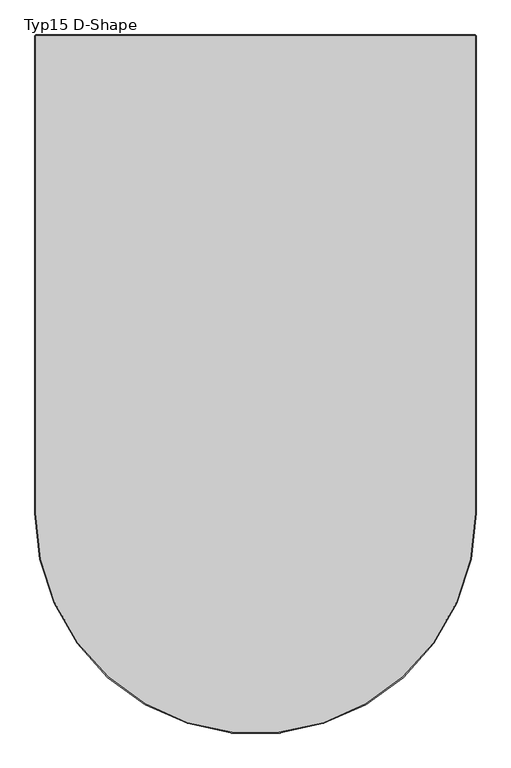
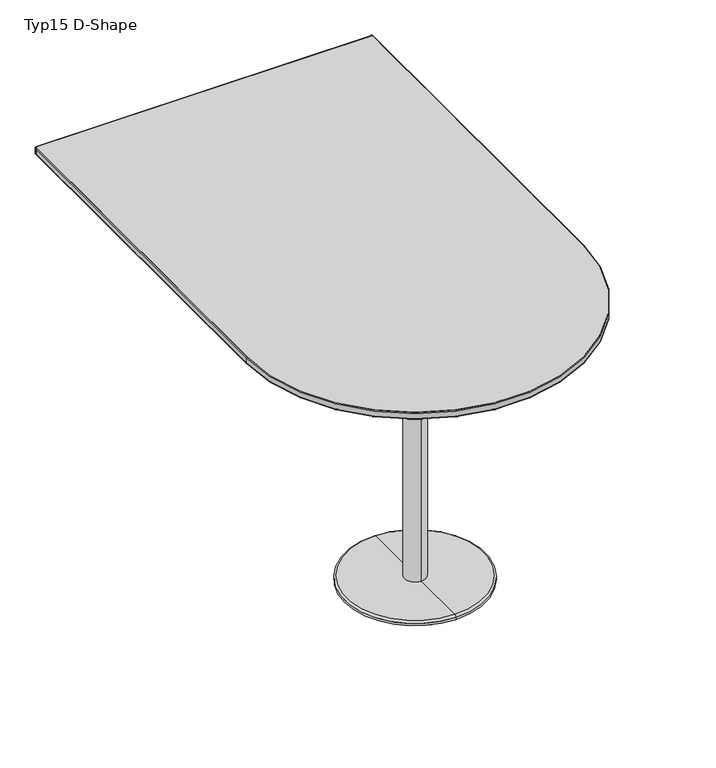
"""IFC4 building model written with IfcOpenShell, lengths in millimetres: furniture geometry, Typ15 D-Shape."""

import ifcopenshell
import ifcopenshell.guid

model = None  # the IFC model being written
_history = None  # IfcOwnerHistory: only IFC2X3 demands one
_inside = {}  # id of a spatial element -> (the spatial element, [elements in it])
_under = {}  # id of a project, library or spatial element -> (it, [spatial elements below it])
_declared = {}  # id of a project -> (the project, [libraries it declares])
_typed = {}  # id of a type object -> (the type object, [elements of that type])
_made_of = {}  # id of a material, layer set ... -> (it, [elements and type objects made of it])


def new_model(schema):
    """Start an empty IFC model of exactly this schema.

    Asked for "IFC4X3", IfcOpenShell would pick the latest addendum, in which some entities
    have other attributes; the version numbers below select the first issue.
    IFC2X3 requires an IfcOwnerHistory on every rooted entity: one is made here for all.
    """
    global model, _history
    if schema == "IFC4X3":
        model = ifcopenshell.file(schema_version=(4, 3, 0, 0))
    else:
        model = ifcopenshell.file(schema=schema)
    _inside.clear()
    _under.clear()
    _declared.clear()
    _typed.clear()
    _made_of.clear()
    _history = None
    if model.schema == "IFC2X3":
        org = make("IfcOrganization", Name="unknown")
        user = make(
            "IfcPersonAndOrganization",
            ThePerson=make("IfcPerson", FamilyName="unknown"),
            TheOrganization=org,
        )
        app = make(
            "IfcApplication",
            ApplicationDeveloper=org,
            Version="unknown",
            ApplicationFullName="unknown",
            ApplicationIdentifier="unknown",
        )
        _history = make(
            "IfcOwnerHistory",
            OwningUser=user,
            OwningApplication=app,
            ChangeAction="ADDED",
            CreationDate=0,
        )
    return model


def make(cls, **values):
    """One entity of the class cls with the attributes given. An attribute that is None is left unset."""
    return model.create_entity(
        cls, **{name: value for name, value in values.items() if value is not None}
    )


def rooted(cls, **values):
    """An entity with a GlobalId (a new one), such as an element, a storey or a relation."""
    return make(cls, GlobalId=ifcopenshell.guid.new(), OwnerHistory=_history, **values)


def si_unit(unit_type, name, prefix=None):
    """IfcSIUnit, for example si_unit("LENGTHUNIT", "METRE", prefix="MILLI")."""
    return make("IfcSIUnit", UnitType=unit_type, Prefix=prefix, Name=name)


def assignment(units):
    """IfcUnitAssignment: the units of a project."""
    return None if units is None else make("IfcUnitAssignment", Units=units)


def point(xyz):
    """IfcCartesianPoint."""
    return None if xyz is None else make("IfcCartesianPoint", Coordinates=xyz)


def direction(xyz):
    """IfcDirection."""
    return None if xyz is None else make("IfcDirection", DirectionRatios=xyz)


def frame(location, z_axis=None, x_axis=None):
    """IfcAxis2Placement3D, a coordinate frame: its origin and axes. An axis left out is left unset."""
    return make(
        "IfcAxis2Placement3D",
        Location=point(location),
        Axis=direction(z_axis),
        RefDirection=direction(x_axis),
    )


def frame_2d(location, x_axis=None):
    """IfcAxis2Placement2D, a coordinate frame in the plane: its origin and x axis."""
    return make(
        "IfcAxis2Placement2D", Location=point(location), RefDirection=direction(x_axis)
    )


def origin():
    """The frame at (0, 0, 0) with its axes left unset."""
    return frame((0.0, 0.0, 0.0))


def origin_with_axes():
    """The frame at (0, 0, 0) with the z axis (0, 0, 1) and the x axis (1, 0, 0) written out."""
    return frame((0.0, 0.0, 0.0), z_axis=(0.0, 0.0, 1.0), x_axis=(1.0, 0.0, 0.0))


def place(relative_to, where):
    """IfcLocalPlacement: puts the frame where relative to a parent placement (None: the world)."""
    return make(
        "IfcLocalPlacement", PlacementRelTo=relative_to, RelativePlacement=where
    )


def context(
    kind, dimensions, precision=None, world=None, true_north=None, identifier=None
):
    """IfcGeometricRepresentationContext, for example the 3D "Model" context."""
    return make(
        "IfcGeometricRepresentationContext",
        ContextIdentifier=identifier,
        ContextType=kind,
        CoordinateSpaceDimension=dimensions,
        Precision=precision,
        WorldCoordinateSystem=world,
        TrueNorth=true_north,
    )


def project(units=None, contexts=None):
    """IfcProject with its units and contexts."""
    return rooted(
        "IfcProject",
        Name="project",
        RepresentationContexts=contexts,
        UnitsInContext=assignment(units),
    )


def spatial(cls, under=None, at=None, **own):
    """A site, building, storey or space (cls), placed at a placement, below another one or the project."""
    s = rooted(cls, ObjectPlacement=at, **own)
    if under is not None:
        _under.setdefault(under.id(), (under, []))[1].append(s)
    return s


def polyline(points):
    """IfcPolyline through the points."""
    return make("IfcPolyline", Points=[point(p) for p in points])


def circle_curve(where, radius):
    """IfcCircle in the frame where."""
    return make("IfcCircle", Position=where, Radius=radius)


def ellipse_curve(where, semi_axis1, semi_axis2):
    """IfcEllipse in the frame where."""
    return make(
        "IfcEllipse", Position=where, SemiAxis1=semi_axis1, SemiAxis2=semi_axis2
    )


def trimmed(basis, trim1, trim2, sense, master):
    """IfcTrimmedCurve: the piece of a basis curve between two trims."""
    return make(
        "IfcTrimmedCurve",
        BasisCurve=basis,
        Trim1=trim1,
        Trim2=trim2,
        SenseAgreement=sense,
        MasterRepresentation=master,
    )


def segment(curve, same_sense, transition):
    """IfcCompositeCurveSegment."""
    return make(
        "IfcCompositeCurveSegment",
        Transition=transition,
        SameSense=same_sense,
        ParentCurve=curve,
    )


def composite_curve(segments, self_intersect=None):
    """IfcCompositeCurve: segments joined end to end."""
    return make("IfcCompositeCurve", Segments=segments, SelfIntersect=self_intersect)


def outline(outer, holes=None, kind="AREA"):
    """IfcArbitraryClosedProfileDef: a profile drawn as a closed curve; with holes, ...WithVoids."""
    if holes is None:
        return make("IfcArbitraryClosedProfileDef", ProfileType=kind, OuterCurve=outer)
    return make(
        "IfcArbitraryProfileDefWithVoids",
        ProfileType=kind,
        OuterCurve=outer,
        InnerCurves=holes,
    )


def extrude(swept, where, along, depth):
    """IfcExtrudedAreaSolid: the profile swept, set in the frame where, extruded along a direction by depth."""
    return make(
        "IfcExtrudedAreaSolid",
        SweptArea=swept,
        Position=where,
        ExtrudedDirection=direction(along),
        Depth=depth,
    )


def shape(context_of_items, identifier, shape_type, items):
    """IfcShapeRepresentation: the items that make up one representation, for example the "Body"."""
    return make(
        "IfcShapeRepresentation",
        ContextOfItems=context_of_items,
        RepresentationIdentifier=identifier,
        RepresentationType=shape_type,
        Items=items,
    )


def source(mapping_origin, context_of_items, identifier, shape_type, items):
    """IfcRepresentationMap: a shape defined once, which mapped items show again and again."""
    return make(
        "IfcRepresentationMap",
        MappingOrigin=mapping_origin,
        MappedRepresentation=shape(context_of_items, identifier, shape_type, items),
    )


def transform(
    local_origin,
    x_axis=None,
    y_axis=None,
    z_axis=None,
    scale=None,
    scale2=None,
    scale3=None,
    uniform=True,
):
    """IfcCartesianTransformationOperator3D, or its non-uniform kind. x_axis, y_axis, z_axis: its Axis1, 2, 3."""
    if uniform:
        return make(
            "IfcCartesianTransformationOperator3D",
            Axis1=direction(x_axis),
            Axis2=direction(y_axis),
            LocalOrigin=point(local_origin),
            Scale=scale,
            Axis3=direction(z_axis),
        )
    return make(
        "IfcCartesianTransformationOperator3DnonUniform",
        Axis1=direction(x_axis),
        Axis2=direction(y_axis),
        LocalOrigin=point(local_origin),
        Scale=scale,
        Axis3=direction(z_axis),
        Scale2=scale2,
        Scale3=scale3,
    )


def mapped(mapping_source, mapping_target):
    """IfcMappedItem: shows the shape of a source again, moved by a transform."""
    return make(
        "IfcMappedItem", MappingSource=mapping_source, MappingTarget=mapping_target
    )


def made_of(thing, what):
    """Note that an element or type object is made of a material, layer set ...; save() writes the relation."""
    if what is not None:
        _made_of.setdefault(what.id(), (what, []))[1].append(thing)
    return thing


def element(
    cls,
    number,
    at=None,
    inside=None,
    cuts=None,
    type_object=None,
    material=None,
    context=None,
    identifier="Body",
    shape_type=None,
    held_by="IfcProductDefinitionShape",
    body=None,
    shapes=None,
    **own,
):
    """One element of the class cls, such as IfcWall. Its Tag is "e" and its number.

    at: its placement. inside: the storey or other place that contains it. cuts: it is an
    opening in that element (IfcRelVoidsElement). A single representation is given by context,
    identifier, shape_type and body (its items); several are given by shapes. held_by: the class
    of the entity that holds the representations. save() writes the other relations.
    """
    e = rooted(cls, Tag="e%d" % number, ObjectPlacement=at, **own)
    if body is not None:
        shapes = [shape(context, identifier, shape_type, body)]
    if shapes is not None:
        e.Representation = make(held_by, Representations=shapes)
    if inside is not None:
        _inside.setdefault(inside.id(), (inside, []))[1].append(e)
    if cuts is not None:
        rooted(
            "IfcRelVoidsElement", RelatingBuildingElement=cuts, RelatedOpeningElement=e
        )
    if type_object is not None:
        _typed.setdefault(type_object.id(), (type_object, []))[1].append(e)
    return made_of(e, material)


def aggregate(whole, parts):
    """IfcRelAggregates: a whole, such as a stair, and the parts it consists of."""
    return rooted("IfcRelAggregates", RelatingObject=whole, RelatedObjects=parts)


def save(model, path):
    """Write the relations noted so far, then the file.

    IfcRelAggregates (storeys below a building ...), IfcRelContainedInSpatialStructure (elements
    in a storey), IfcRelDefinesByType, IfcRelAssociatesMaterial and IfcRelDeclares: one each for
    every whole, place, type object, material and project.
    """
    for whole, parts in _under.values():
        aggregate(whole, parts)
    for where, things in _inside.values():
        rooted(
            "IfcRelContainedInSpatialStructure",
            RelatedElements=things,
            RelatingStructure=where,
        )
    for kind, things in _typed.values():
        rooted("IfcRelDefinesByType", RelatedObjects=things, RelatingType=kind)
    for what, things in _made_of.values():
        rooted("IfcRelAssociatesMaterial", RelatedObjects=things, RelatingMaterial=what)
    for by, libraries in _declared.values():
        rooted("IfcRelDeclares", RelatingContext=by, RelatedDefinitions=libraries)
    model.write(path)


def plane_surface(at):
    """IfcPlane: the flat surface through the origin of the frame at, square to its z axis."""
    return make("IfcPlane", Position=at)


def cylinder_surface(at, radius):
    """IfcCylindricalSurface: all points at the distance radius from the z axis of the frame at."""
    return make("IfcCylindricalSurface", Position=at, Radius=radius)


def revolved_surface(curve, axis_point, axis_direction):
    """IfcSurfaceOfRevolution: the curve turned about the line through axis_point along axis_direction."""
    return make(
        "IfcSurfaceOfRevolution",
        SweptCurve=make("IfcArbitraryOpenProfileDef", ProfileType="CURVE", Curve=curve),
        AxisPosition=make("IfcAxis1Placement", Location=point(axis_point), Axis=direction(axis_direction)),
    )


def advanced_brep(points, edges, surfaces, faces):
    """IfcAdvancedBrep: a solid bounded by faces that lie on surfaces and meet in shared edges.

    An edge is (start, end): straight between two places in points (the first is 0);
    or (start, end, curve); or (start, end, curve, False) where it runs against its curve.
    A face is (place in surfaces, loops), or (place, loops, False) where it looks against
    its surface's normal. A loop lists edges by number (the first is 1), with a minus sign
    where the edge is run from its end to its start. The first loop is the outer one.
    """
    corners = [point(p) for p in points]
    vertices = [make("IfcVertexPoint", VertexGeometry=c) for c in corners]
    made = []
    for start, end, *more in edges:
        made.append(
            make(
                "IfcEdgeCurve",
                EdgeStart=vertices[start],
                EdgeEnd=vertices[end],
                EdgeGeometry=more[0] if more else make("IfcPolyline", Points=[corners[start], corners[end]]),
                SameSense=more[1] if len(more) > 1 else True,
            )
        )
    hull = []
    for where, loops, *sense in faces:
        bounds = []
        for j, loop in enumerate(loops):
            ring = [make("IfcOrientedEdge", EdgeElement=made[abs(k) - 1], Orientation=k > 0) for k in loop]
            bounds.append(
                make(
                    "IfcFaceOuterBound" if j == 0 else "IfcFaceBound",
                    Bound=make("IfcEdgeLoop", EdgeList=ring),
                    Orientation=True,
                )
            )
        hull.append(make("IfcAdvancedFace", Bounds=bounds, FaceSurface=surfaces[where], SameSense=sense[0] if sense else True))
    return make("IfcAdvancedBrep", Outer=make("IfcClosedShell", CfsFaces=hull))


def typ15_d_shape_50d30513(model_context):
    return source(origin(), model_context, "Body", "SolidModel", [
        extrude(outline(composite_curve([segment(trimmed(circle_curve(frame_2d((-230.0229492, -1300.0)), 10.0), [point((-240.0229492, -1300.0))], [point((-220.0229492, -1300.0))], False, "CARTESIAN"), True, "CONTINUOUS"), segment(trimmed(circle_curve(frame_2d((-230.0229492, -1300.0)), 10.0), [point((-220.0229492, -1300.0))], [point((-240.0229492, -1300.0))], False, "CARTESIAN"), True, "CONTINUOUS")], self_intersect=False)), origin_with_axes(), (0.0, 0.0, 1.0), 6.0),
        extrude(outline(composite_curve([segment(trimmed(circle_curve(frame_2d((-71.0810004, -1081.2351752)), 10.0), [point((-74.1711703, -1071.7246101))], [point((-67.9908305, -1090.7457404))], False, "CARTESIAN"), True, "CONTINUOUS"), segment(trimmed(circle_curve(frame_2d((-71.0810004, -1081.2351752)), 10.0), [point((-67.9908305, -1090.7457404))], [point((-74.1711703, -1071.7246101))], False, "CARTESIAN"), True, "CONTINUOUS")], self_intersect=False)), origin_with_axes(), (0.0, 0.0, 1.0), 6.0),
        extrude(outline(composite_curve([segment(trimmed(circle_curve(frame_2d((186.092475, -1164.7959028)), 10.0), [point((194.182645, -1158.9180502))], [point((178.0023051, -1170.6737553))], False, "CARTESIAN"), True, "CONTINUOUS"), segment(trimmed(circle_curve(frame_2d((186.092475, -1164.7959028)), 10.0), [point((178.0023051, -1170.6737553))], [point((194.182645, -1158.9180502))], False, "CARTESIAN"), True, "CONTINUOUS")], self_intersect=False)), origin_with_axes(), (0.0, 0.0, 1.0), 6.0),
        extrude(outline(composite_curve([segment(trimmed(circle_curve(frame_2d((-71.0810004, -1518.7648248)), 10.0), [point((-74.1711703, -1528.2753899))], [point((-67.9908305, -1509.2542596))], False, "CARTESIAN"), True, "CONTINUOUS"), segment(trimmed(circle_curve(frame_2d((-71.0810004, -1518.7648248)), 10.0), [point((-67.9908305, -1509.2542596))], [point((-74.1711703, -1528.2753899))], False, "CARTESIAN"), True, "CONTINUOUS")], self_intersect=False)), origin_with_axes(), (0.0, 0.0, 1.0), 6.0),
        extrude(outline(composite_curve([segment(trimmed(circle_curve(frame_2d((186.092475, -1435.2040972)), 10.0), [point((194.182645, -1441.0819498))], [point((178.0023051, -1429.3262447))], False, "CARTESIAN"), True, "CONTINUOUS"), segment(trimmed(circle_curve(frame_2d((186.092475, -1435.2040972)), 10.0), [point((178.0023051, -1429.3262447))], [point((194.182645, -1441.0819498))], False, "CARTESIAN"), True, "CONTINUOUS")], self_intersect=False)), origin_with_axes(), (0.0, 0.0, 1.0), 6.0),
        extrude(outline(polyline([(109.9978027, -1182.0), (109.9978027, -1410.0), (-109.9991959, -1410.0), (-109.9991959, -1182.0), (109.9978027, -1182.0)])), frame((0.0, 0.0, 1019.99982), z_axis=(0.0, 0.0, 1.0), x_axis=(1.0, 0.0, 0.0)), (0.0, 0.0, 1.0), 5.00018),
        advanced_brep(
        [(0.0, -1262.5, 990.9998779), (0.0, -1337.5, 990.9998779), (0.0, -1335.0, 990.9998779), (0.0, -1265.0, 990.9998779), (0.0, -1262.5, 21.0000248), (0.0, -1337.5, 21.0000248), (0.0, -1056.9770508, 21.0000248), (0.0, -1543.0229492, 21.0000248), (0.0, -1049.9770508, 14.0000248), (0.0, -1550.0229492, 14.0000248), (0.0, -1049.9770508, 6.0), (0.0, -1550.0229492, 6.0), (0.0, -1300.0, 6.0), (0.0, -1265.0, 1019.99982), (0.0, -1335.0, 1019.99982), (0.0, -1300.0, 1019.99982)],
        [
            (0, 1, circle_curve(frame((0.0, -1300.0, 990.9998779), z_axis=(0.0, 0.0, 1.0), x_axis=(0.0, -1.0, 0.0)), 37.5)),
            (1, 2),
            (2, 3, circle_curve(frame((0.0, -1300.0, 990.9998779), z_axis=(0.0, 0.0, -1.0), x_axis=(0.0, -1.0, 0.0)), 35.0)),
            (3, 0),
            (1, 0, circle_curve(frame((0.0, -1300.0, 990.9998779), z_axis=(0.0, 0.0, 1.0), x_axis=(0.0, -1.0, 0.0)), 37.5)),
            (3, 2, circle_curve(frame((0.0, -1300.0, 990.9998779), z_axis=(0.0, 0.0, -1.0), x_axis=(0.0, -1.0, 0.0)), 35.0)),
            (4, 5, circle_curve(frame((0.0, -1300.0, 21.0000248), z_axis=(0.0, 0.0, 1.0), x_axis=(0.0, -1.0, 0.0)), 37.5)),
            (5, 1),
            (0, 4),
            (5, 4, circle_curve(frame((0.0, -1300.0, 21.0000248), z_axis=(0.0, 0.0, 1.0), x_axis=(0.0, -1.0, 0.0)), 37.5)),
            (6, 7, circle_curve(frame((0.0, -1300.0, 21.0000248), z_axis=(0.0, 0.0, 1.0), x_axis=(0.0, -1.0, 0.0)), 243.0229492)),
            (7, 5),
            (4, 6),
            (7, 6, circle_curve(frame((0.0, -1300.0, 21.0000248), z_axis=(0.0, 0.0, 1.0), x_axis=(0.0, -1.0, 0.0)), 243.0229492)),
            (8, 9, circle_curve(frame((0.0, -1300.0, 14.0000248), z_axis=(0.0, 0.0, 1.0), x_axis=(0.0, -1.0, 0.0)), 250.0229492)),
            (9, 7, circle_curve(frame((0.0, -1543.0229492, 14.0000248), z_axis=(-1.0, 0.0, 0.0), x_axis=(0.0, 1.0, 0.0)), 7.0)),
            (6, 8, circle_curve(frame((0.0, -1056.9770508, 14.0000248), z_axis=(-1.0, 0.0, 0.0), x_axis=(0.0, -1.0, 0.0)), 7.0)),
            (9, 8, circle_curve(frame((0.0, -1300.0, 14.0000248), z_axis=(0.0, 0.0, 1.0), x_axis=(0.0, -1.0, 0.0)), 250.0229492)),
            (10, 11, circle_curve(frame((0.0, -1300.0, 6.0), z_axis=(0.0, 0.0, 1.0), x_axis=(0.0, -1.0, 0.0)), 250.0229492)),
            (11, 9),
            (8, 10),
            (11, 10, circle_curve(frame((0.0, -1300.0, 6.0), z_axis=(0.0, 0.0, 1.0), x_axis=(0.0, -1.0, 0.0)), 250.0229492)),
            (12, 11),
            (10, 12),
            (13, 14, circle_curve(frame((0.0, -1300.0, 1019.99982), z_axis=(0.0, 0.0, 1.0), x_axis=(0.0, -1.0, 0.0)), 35.0)),
            (14, 15),
            (15, 13),
            (14, 13, circle_curve(frame((0.0, -1300.0, 1019.99982), z_axis=(0.0, 0.0, 1.0), x_axis=(0.0, -1.0, 0.0)), 35.0)),
            (2, 14),
            (13, 3),
        ],
        [
            plane_surface(frame((0.0, -1300.0, 990.9998779), z_axis=(0.0, 0.0, 1.0), x_axis=(0.0, -1.0, 0.0))),
            cylinder_surface(frame((0.0, -1300.0, 1099.99982), z_axis=(0.0, 0.0, -1.0), x_axis=(0.0, -1.0, 0.0)), 37.5),
            plane_surface(frame((0.0, -1300.0, 21.0000248), z_axis=(0.0, 0.0, 1.0), x_axis=(0.0, -1.0, 0.0))),
            revolved_surface(trimmed(ellipse_curve(frame((0.0, -1543.0229492, 14.0000248), z_axis=(1.0, 0.0, 0.0), x_axis=(0.0, 1.0, 0.0)), 7.0, 7.0), [point((0.0, -1543.0229492, 21.0000248))], [point((0.0, -1550.0229492, 14.0000248))], True, "CARTESIAN"), (0.0, -1300.0, 1099.99982), (0.0, 0.0, -1.0)),
            cylinder_surface(frame((0.0, -1300.0, 1099.99982), z_axis=(0.0, 0.0, -1.0), x_axis=(0.0, -1.0, 0.0)), 250.0229492),
            plane_surface(frame((0.0, -1300.0, 6.0), z_axis=(0.0, 0.0, -1.0), x_axis=(0.0, -1.0, 0.0))),
            plane_surface(frame((0.0, -1300.0, 1019.99982), z_axis=(0.0, 0.0, 1.0), x_axis=(0.0, -1.0, 0.0))),
            cylinder_surface(frame((0.0, -1300.0, 1099.99982), z_axis=(0.0, 0.0, -1.0), x_axis=(0.0, -1.0, 0.0)), 35.0),
        ],
        [
            (0, [[1, 2, 3, 4]]),
            (0, [[5, -4, 6, -2]]),
            (1, [[7, 8, -1, 9]]),
            (1, [[10, -9, -5, -8]]),
            (2, [[11, 12, -7, 13]]),
            (2, [[14, -13, -10, -12]]),
            (3, [[15, 16, -11, 17]]),
            (3, [[18, -17, -14, -16]]),
            (4, [[19, 20, -15, 21]]),
            (4, [[22, -21, -18, -20]]),
            (5, [[23, -19, 24]]),
            (5, [[-24, -22, -23]]),
            (6, [[25, 26, 27]]),
            (6, [[28, -27, -26]]),
            (7, [[-3, 29, -25, 30]]),
            (7, [[-6, -30, -28, -29]]),
        ],
    ),
        extrude(outline(composite_curve([segment(trimmed(circle_curve(frame_2d((596.9991959, -3.0)), 0.5), [point((596.9991959, -2.5))], [point((597.4991959, -3.0))], False, "CARTESIAN"), True, "CONTINUOUS"), segment(polyline([(597.4991959, -3.0), (597.4991959, -1300.0)]), True, "CONTINUOUS"), segment(trimmed(circle_curve(frame_2d((0.0, -1300.0)), 597.4991959), [point((597.4991959, -1300.0))], [point((-597.4991959, -1300.0))], False, "CARTESIAN"), True, "CONTINUOUS"), segment(polyline([(-597.4991959, -1300.0), (-597.4991959, -3.0)]), True, "CONTINUOUS"), segment(trimmed(circle_curve(frame_2d((-596.9991959, -3.0)), 0.5), [point((-597.4991959, -3.0))], [point((-596.9991959, -2.5))], False, "CARTESIAN"), True, "CONTINUOUS"), segment(polyline([(-596.9991959, -2.5), (596.9991959, -2.5)]), True, "CONTINUOUS")], self_intersect=False)), frame((0.0, 0.0, 1025.0), z_axis=(0.0, 0.0, 1.0), x_axis=(1.0, 0.0, 0.0)), (0.0, 0.0, 1.0), 25.0),
        advanced_brep(
        [(-597.4991959, -3.0, 1050.0), (-596.9991959, -2.5, 1050.0), (-596.9991959, 0.0, 1047.5), (-599.9991959, -3.0, 1047.5), (-597.4991959, -3.0, 1025.0), (-596.9991959, -2.5, 1025.0), (-599.9991959, -3.0, 1027.5), (-596.9991959, 0.0, 1027.5), (-599.9991959, -1300.0, 1047.5), (-597.4991959, -1300.0, 1050.0), (-597.4991959, -1300.0, 1025.0), (-599.9991959, -1300.0, 1027.5), (597.4991959, -1300.0, 1050.0), (599.9991959, -1300.0, 1047.5), (597.4991959, -1300.0, 1025.0), (599.9991959, -1300.0, 1027.5), (599.9991959, -3.0, 1047.5), (597.4991959, -3.0, 1050.0), (597.4991959, -3.0, 1025.0), (599.9991959, -3.0, 1027.5), (596.9991959, -2.5, 1050.0), (596.9991959, 0.0, 1047.5), (596.9991959, -2.5, 1025.0), (596.9991959, 0.0, 1027.5)],
        [
            (0, 1, circle_curve(frame((-596.9991959, -3.0, 1050.0), z_axis=(0.0, 0.0, -1.0), x_axis=(0.0, 1.0, 0.0)), 0.5)),
            (1, 2, circle_curve(frame((-596.9991959, -2.5, 1047.5), z_axis=(-1.0, 0.0, 0.0), x_axis=(0.0, -1.0, 0.0)), 2.5)),
            (2, 3, circle_curve(frame((-596.9991959, -3.0, 1047.5), z_axis=(0.0, 0.0, 1.0), x_axis=(0.0, 1.0, 0.0)), 3.0)),
            (3, 0, circle_curve(frame((-597.4991959, -3.0, 1047.5), z_axis=(0.0, 1.0, 0.0), x_axis=(1.0, 0.0, 0.0)), 2.5)),
            (4, 5, circle_curve(frame((-596.9991959, -3.0, 1025.0), z_axis=(0.0, 0.0, -1.0), x_axis=(0.0, 1.0, 0.0)), 0.5)),
            (5, 1),
            (0, 4),
            (6, 7, circle_curve(frame((-596.9991959, -3.0, 1027.5), z_axis=(0.0, 0.0, -1.0), x_axis=(0.0, 1.0, 0.0)), 3.0)),
            (7, 5, circle_curve(frame((-596.9991959, -2.5, 1027.5), z_axis=(-1.0, 0.0, 0.0), x_axis=(0.0, -1.0, 0.0)), 2.5)),
            (4, 6, circle_curve(frame((-597.4991959, -3.0, 1027.5), z_axis=(0.0, 1.0, 0.0), x_axis=(1.0, 0.0, 0.0)), 2.5)),
            (2, 7),
            (6, 3),
            (3, 8),
            (8, 9, circle_curve(frame((-597.4991959, -1300.0, 1047.5), z_axis=(0.0, 1.0, 0.0), x_axis=(1.0, 0.0, 0.0)), 2.5)),
            (9, 0),
            (9, 10),
            (10, 4),
            (10, 11, circle_curve(frame((-597.4991959, -1300.0, 1027.5), z_axis=(0.0, 1.0, 0.0), x_axis=(1.0, 0.0, 0.0)), 2.5)),
            (11, 6),
            (11, 8),
            (12, 9, circle_curve(frame((0.0, -1300.0, 1050.0), z_axis=(0.0, 0.0, -1.0), x_axis=(-1.0, 0.0, 0.0)), 597.4991959)),
            (8, 13, circle_curve(frame((0.0, -1300.0, 1047.5), z_axis=(0.0, 0.0, 1.0), x_axis=(-1.0, 0.0, 0.0)), 599.9991959)),
            (13, 12, circle_curve(frame((597.4991959, -1300.0, 1047.5), z_axis=(0.0, -1.0, 0.0), x_axis=(-1.0, 0.0, 0.0)), 2.5)),
            (14, 10, circle_curve(frame((0.0, -1300.0, 1025.0), z_axis=(0.0, 0.0, -1.0), x_axis=(-1.0, 0.0, 0.0)), 597.4991959)),
            (12, 14),
            (15, 11, circle_curve(frame((0.0, -1300.0, 1027.5), z_axis=(0.0, 0.0, -1.0), x_axis=(-1.0, 0.0, 0.0)), 599.9991959)),
            (14, 15, circle_curve(frame((597.4991959, -1300.0, 1027.5), z_axis=(0.0, -1.0, 0.0), x_axis=(-1.0, 0.0, 0.0)), 2.5)),
            (15, 13),
            (13, 16),
            (16, 17, circle_curve(frame((597.4991959, -3.0, 1047.5), z_axis=(0.0, -1.0, 0.0), x_axis=(-1.0, 0.0, 0.0)), 2.5)),
            (17, 12),
            (17, 18),
            (18, 14),
            (18, 19, circle_curve(frame((597.4991959, -3.0, 1027.5), z_axis=(0.0, -1.0, 0.0), x_axis=(-1.0, 0.0, 0.0)), 2.5)),
            (19, 15),
            (19, 16),
            (20, 17, circle_curve(frame((596.9991959, -3.0, 1050.0), z_axis=(0.0, 0.0, -1.0), x_axis=(1.0, 0.0, 0.0)), 0.5)),
            (16, 21, circle_curve(frame((596.9991959, -3.0, 1047.5), z_axis=(0.0, 0.0, 1.0), x_axis=(1.0, 0.0, 0.0)), 3.0)),
            (21, 20, circle_curve(frame((596.9991959, -2.5, 1047.5), z_axis=(1.0, 0.0, 0.0), x_axis=(0.0, -1.0, 0.0)), 2.5)),
            (22, 18, circle_curve(frame((596.9991959, -3.0, 1025.0), z_axis=(0.0, 0.0, -1.0), x_axis=(1.0, 0.0, 0.0)), 0.5)),
            (20, 22),
            (23, 19, circle_curve(frame((596.9991959, -3.0, 1027.5), z_axis=(0.0, 0.0, -1.0), x_axis=(1.0, 0.0, 0.0)), 3.0)),
            (22, 23, circle_curve(frame((596.9991959, -2.5, 1027.5), z_axis=(1.0, 0.0, 0.0), x_axis=(0.0, -1.0, 0.0)), 2.5)),
            (23, 21),
            (21, 2),
            (1, 20),
            (5, 22),
            (7, 23),
        ],
        [
            revolved_surface(trimmed(ellipse_curve(frame((-596.9991959, -2.5, 1047.5), z_axis=(1.0, 0.0, 0.0), x_axis=(0.0, -1.0, 0.0)), 2.5, 2.5), [point((-596.9991959, 0.0, 1047.5))], [point((-596.9991959, -2.5, 1050.0))], True, "CARTESIAN"), (-596.9991959, -3.0, 0.0), (0.0, 0.0, 1.0)),
            revolved_surface(polyline([(-596.9991959, -2.5, 1050.0), (-596.9991959, -2.5, 1025.0)]), (-596.9991959, -3.0, 0.0), (0.0, 0.0, 1.0)),
            revolved_surface(trimmed(ellipse_curve(frame((-596.9991959, -2.5, 1027.5), z_axis=(1.0, 0.0, 0.0), x_axis=(0.0, -1.0, 0.0)), 2.5, 2.5), [point((-596.9991959, -2.5, 1025.0))], [point((-596.9991959, 0.0, 1027.5))], True, "CARTESIAN"), (-596.9991959, -3.0, 0.0), (0.0, 0.0, 1.0)),
            cylinder_surface(frame((-596.9991959, -3.0, 0.0), z_axis=(0.0, 0.0, 1.0), x_axis=(0.0, 1.0, 0.0)), 3.0),
            cylinder_surface(frame((-597.4991959, -3.0, 1047.5), z_axis=(0.0, 1.0, 0.0), x_axis=(1.0, 0.0, 0.0)), 2.5),
            plane_surface(frame((-597.4991959, -3.0, 1050.0), z_axis=(1.0, 0.0, 0.0), x_axis=(0.0, -1.0, 0.0))),
            cylinder_surface(frame((-597.4991959, -3.0, 1027.5), z_axis=(0.0, 1.0, 0.0), x_axis=(1.0, 0.0, 0.0)), 2.5),
            plane_surface(frame((-599.9991959, -3.0, 1027.5), z_axis=(-1.0, 0.0, 0.0), x_axis=(0.0, -1.0, 0.0))),
            revolved_surface(trimmed(ellipse_curve(frame((-597.4991959, -1300.0, 1047.5), z_axis=(0.0, 1.0, 0.0), x_axis=(1.0, 0.0, 0.0)), 2.5, 2.5), [point((-599.9991959, -1300.0, 1047.5))], [point((-597.4991959, -1300.0, 1050.0))], True, "CARTESIAN"), (0.0, -1300.0, 0.0), (0.0, 0.0, 1.0)),
            revolved_surface(polyline([(-597.4991959, -1300.0, 1050.0), (-597.4991959, -1300.0, 1025.0)]), (0.0, -1300.0, 0.0), (0.0, 0.0, 1.0)),
            revolved_surface(trimmed(ellipse_curve(frame((-597.4991959, -1300.0, 1027.5), z_axis=(0.0, 1.0, 0.0), x_axis=(1.0, 0.0, 0.0)), 2.5, 2.5), [point((-597.4991959, -1300.0, 1025.0))], [point((-599.9991959, -1300.0, 1027.5))], True, "CARTESIAN"), (0.0, -1300.0, 0.0), (0.0, 0.0, 1.0)),
            cylinder_surface(frame((0.0, -1300.0, 0.0), z_axis=(0.0, 0.0, 1.0), x_axis=(-1.0, 0.0, 0.0)), 599.9991959),
            cylinder_surface(frame((597.4991959, -1300.0, 1047.5), z_axis=(0.0, -1.0, 0.0), x_axis=(-1.0, 0.0, 0.0)), 2.5),
            plane_surface(frame((597.4991959, -1300.0, 1050.0), z_axis=(-1.0, 0.0, 0.0), x_axis=(0.0, 1.0, 0.0))),
            cylinder_surface(frame((597.4991959, -1300.0, 1027.5), z_axis=(0.0, -1.0, 0.0), x_axis=(-1.0, 0.0, 0.0)), 2.5),
            plane_surface(frame((599.9991959, -1300.0, 1027.5), z_axis=(1.0, 0.0, 0.0), x_axis=(0.0, 1.0, 0.0))),
            revolved_surface(trimmed(ellipse_curve(frame((597.4991959, -3.0, 1047.5), z_axis=(0.0, -1.0, 0.0), x_axis=(-1.0, 0.0, 0.0)), 2.5, 2.5), [point((599.9991959, -3.0, 1047.5))], [point((597.4991959, -3.0, 1050.0))], True, "CARTESIAN"), (596.9991959, -3.0, 0.0), (0.0, 0.0, 1.0)),
            revolved_surface(polyline([(597.4991959, -3.0, 1050.0), (597.4991959, -3.0, 1025.0)]), (596.9991959, -3.0, 0.0), (0.0, 0.0, 1.0)),
            revolved_surface(trimmed(ellipse_curve(frame((597.4991959, -3.0, 1027.5), z_axis=(0.0, -1.0, 0.0), x_axis=(-1.0, 0.0, 0.0)), 2.5, 2.5), [point((597.4991959, -3.0, 1025.0))], [point((599.9991959, -3.0, 1027.5))], True, "CARTESIAN"), (596.9991959, -3.0, 0.0), (0.0, 0.0, 1.0)),
            cylinder_surface(frame((596.9991959, -3.0, 0.0), z_axis=(0.0, 0.0, 1.0), x_axis=(1.0, 0.0, 0.0)), 3.0),
            cylinder_surface(frame((596.9991959, -2.5, 1047.5), z_axis=(1.0, 0.0, 0.0), x_axis=(0.0, -1.0, 0.0)), 2.5),
            plane_surface(frame((596.9991959, -2.5, 1050.0), z_axis=(0.0, -1.0, 0.0), x_axis=(-1.0, 0.0, 0.0))),
            cylinder_surface(frame((596.9991959, -2.5, 1027.5), z_axis=(1.0, 0.0, 0.0), x_axis=(0.0, -1.0, 0.0)), 2.5),
            plane_surface(frame((596.9991959, 0.0, 1027.5), z_axis=(0.0, 1.0, 0.0), x_axis=(-1.0, 0.0, 0.0))),
        ],
        [
            (0, [[1, 2, 3, 4]]),
            (1, [[5, 6, -1, 7]]),
            (2, [[8, 9, -5, 10]]),
            (3, [[-3, 11, -8, 12]]),
            (4, [[-4, 13, 14, 15]]),
            (5, [[-7, -15, 16, 17]]),
            (6, [[-10, -17, 18, 19]]),
            (7, [[-12, -19, 20, -13]]),
            (8, [[21, -14, 22, 23]]),
            (9, [[24, -16, -21, 25]]),
            (10, [[26, -18, -24, 27]]),
            (11, [[-22, -20, -26, 28]]),
            (12, [[-23, 29, 30, 31]]),
            (13, [[-25, -31, 32, 33]]),
            (14, [[-27, -33, 34, 35]]),
            (15, [[-28, -35, 36, -29]]),
            (16, [[37, -30, 38, 39]]),
            (17, [[40, -32, -37, 41]]),
            (18, [[42, -34, -40, 43]]),
            (19, [[-38, -36, -42, 44]]),
            (20, [[-39, 45, -2, 46]]),
            (21, [[-41, -46, -6, 47]]),
            (22, [[-43, -47, -9, 48]]),
            (23, [[-44, -48, -11, -45]]),
        ],
    ),
    ])


if __name__ == "__main__":
    model = new_model("IFC4")
    model_context = context("Model", 3, world=origin())
    ifc_project = project(units=[si_unit("LENGTHUNIT", "METRE", prefix="MILLI")], contexts=[model_context])
    site = spatial("IfcSite", under=ifc_project)
    building = spatial("IfcBuilding", under=site)
    placement = place(None, origin())
    typ15_d_shape_shape = typ15_d_shape_50d30513(model_context)
    element("IfcFurniture", 1, ObjectType="Typ15 D-Shape", at=placement, inside=building, context=model_context, shape_type="MappedRepresentation", body=[
        mapped(typ15_d_shape_shape, transform((0.0, 0.0, 0.0), x_axis=(1.0, 0.0, 0.0), y_axis=(0.0, 1.0, 0.0), z_axis=(0.0, 0.0, 1.0))),
    ])
    save(model, "model.ifc")
